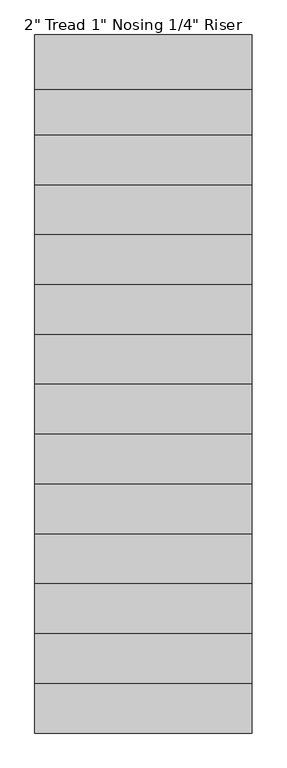
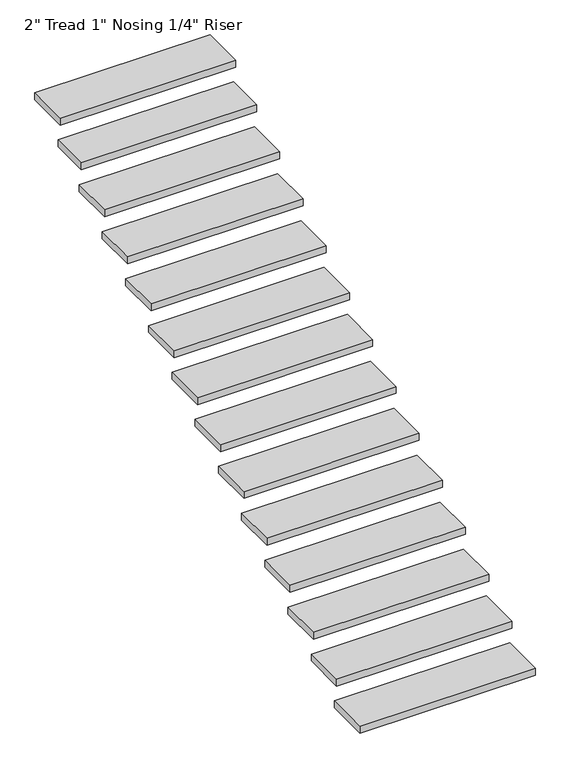
"""IFC4 building model written with IfcOpenShell, lengths in millimetres: stair flight geometry."""

from ifc_helpers import new_model, si_unit, frame, origin, place, context, project, spatial, polyline, outline, extrude, source, transform, mapped, element, save


def stair_flight_e3f82342(model_context):
    return source(origin(), model_context, "Body", "SweptSolid", [
        extrude(outline(polyline([(-6923.7311058, 26243.244327), (-5706.0969605, 26243.244327), (-5706.0969605, 25938.444327), (-6923.7311058, 25938.444327), (-6923.7311058, 26243.244327)])), frame((0.0, 0.0, -9055.1), z_axis=(0.0, 0.0, 1.0), x_axis=(1.0, 0.0, 0.0)), (0.0, 0.0, 1.0), 50.8),
        extrude(outline(polyline([(-6923.7311058, 26522.644327), (-5706.0969605, 26522.644327), (-5706.0969605, 26217.844327), (-6923.7311058, 26217.844327), (-6923.7311058, 26522.644327)])), frame((0.0, 0.0, -8880.0214286), z_axis=(0.0, 0.0, 1.0), x_axis=(1.0, 0.0, 0.0)), (0.0, 0.0, 1.0), 50.8),
        extrude(outline(polyline([(-6923.7311058, 26802.044327), (-5706.0969605, 26802.044327), (-5706.0969605, 26497.244327), (-6923.7311058, 26497.244327), (-6923.7311058, 26802.044327)])), frame((0.0, 0.0, -8704.9428571), z_axis=(0.0, 0.0, 1.0), x_axis=(1.0, 0.0, 0.0)), (0.0, 0.0, 1.0), 50.8),
        extrude(outline(polyline([(-6923.7311058, 27081.444327), (-5706.0969605, 27081.444327), (-5706.0969605, 26776.644327), (-6923.7311058, 26776.644327), (-6923.7311058, 27081.444327)])), frame((0.0, 0.0, -8529.8642857), z_axis=(0.0, 0.0, 1.0), x_axis=(1.0, 0.0, 0.0)), (0.0, 0.0, 1.0), 50.8),
        extrude(outline(polyline([(-6923.7311058, 27360.844327), (-5706.0969605, 27360.844327), (-5706.0969605, 27056.044327), (-6923.7311058, 27056.044327), (-6923.7311058, 27360.844327)])), frame((0.0, 0.0, -8354.7857143), z_axis=(0.0, 0.0, 1.0), x_axis=(1.0, 0.0, 0.0)), (0.0, 0.0, 1.0), 50.8),
        extrude(outline(polyline([(-6923.7311058, 27640.244327), (-5706.0969605, 27640.244327), (-5706.0969605, 27335.444327), (-6923.7311058, 27335.444327), (-6923.7311058, 27640.244327)])), frame((0.0, 0.0, -8179.7071429), z_axis=(0.0, 0.0, 1.0), x_axis=(1.0, 0.0, 0.0)), (0.0, 0.0, 1.0), 50.8),
        extrude(outline(polyline([(-6923.7311058, 27919.644327), (-5706.0969605, 27919.644327), (-5706.0969605, 27614.844327), (-6923.7311058, 27614.844327), (-6923.7311058, 27919.644327)])), frame((0.0, 0.0, -8004.6285714), z_axis=(0.0, 0.0, 1.0), x_axis=(1.0, 0.0, 0.0)), (0.0, 0.0, 1.0), 50.8),
        extrude(outline(polyline([(-6923.7311058, 28199.044327), (-5706.0969605, 28199.044327), (-5706.0969605, 27894.244327), (-6923.7311058, 27894.244327), (-6923.7311058, 28199.044327)])), frame((0.0, 0.0, -7829.55), z_axis=(0.0, 0.0, 1.0), x_axis=(1.0, 0.0, 0.0)), (0.0, 0.0, 1.0), 50.8),
        extrude(outline(polyline([(-6923.7311058, 28478.444327), (-5706.0969605, 28478.444327), (-5706.0969605, 28173.644327), (-6923.7311058, 28173.644327), (-6923.7311058, 28478.444327)])), frame((0.0, 0.0, -7654.4714286), z_axis=(0.0, 0.0, 1.0), x_axis=(1.0, 0.0, 0.0)), (0.0, 0.0, 1.0), 50.8),
        extrude(outline(polyline([(-6923.7311058, 28757.844327), (-5706.0969605, 28757.844327), (-5706.0969605, 28453.044327), (-6923.7311058, 28453.044327), (-6923.7311058, 28757.844327)])), frame((0.0, 0.0, -7479.3928571), z_axis=(0.0, 0.0, 1.0), x_axis=(1.0, 0.0, 0.0)), (0.0, 0.0, 1.0), 50.8),
        extrude(outline(polyline([(-6923.7311058, 29037.244327), (-5706.0969605, 29037.244327), (-5706.0969605, 28732.444327), (-6923.7311058, 28732.444327), (-6923.7311058, 29037.244327)])), frame((0.0, 0.0, -7304.3142857), z_axis=(0.0, 0.0, 1.0), x_axis=(1.0, 0.0, 0.0)), (0.0, 0.0, 1.0), 50.8),
        extrude(outline(polyline([(-6923.7311058, 29316.644327), (-5706.0969605, 29316.644327), (-5706.0969605, 29011.844327), (-6923.7311058, 29011.844327), (-6923.7311058, 29316.644327)])), frame((0.0, 0.0, -7129.2357143), z_axis=(0.0, 0.0, 1.0), x_axis=(1.0, 0.0, 0.0)), (0.0, 0.0, 1.0), 50.8),
        extrude(outline(polyline([(-6923.7311058, 29570.644327), (-5706.0969605, 29570.644327), (-5706.0969605, 29291.244327), (-6923.7311058, 29291.244327), (-6923.7311058, 29570.644327)])), frame((0.0, 0.0, -6954.1571429), z_axis=(0.0, 0.0, 1.0), x_axis=(1.0, 0.0, 0.0)), (0.0, 0.0, 1.0), 50.8),
        extrude(outline(polyline([(-6923.7311058, 29850.044327), (-5706.0969605, 29850.044327), (-5706.0969605, 29545.244327), (-6923.7311058, 29545.244327), (-6923.7311058, 29850.044327)])), frame((0.0, 0.0, -6779.0785714), z_axis=(0.0, 0.0, 1.0), x_axis=(1.0, 0.0, 0.0)), (0.0, 0.0, 1.0), 50.8),
    ])


if __name__ == "__main__":
    model = new_model("IFC4")
    model_context = context("Model", 3, world=origin())
    ifc_project = project(units=[si_unit("LENGTHUNIT", "METRE", prefix="MILLI")], contexts=[model_context])
    site = spatial("IfcSite", under=ifc_project)
    building = spatial("IfcBuilding", under=site)
    placement = place(None, origin())
    stair_flight_shape = stair_flight_e3f82342(model_context)
    element("IfcStairFlight", 1, ObjectType="2\" Tread 1\" Nosing 1/4\" Riser", at=placement, inside=building, context=model_context, shape_type="MappedRepresentation", body=[
        mapped(stair_flight_shape, transform((0.0, 0.0, 0.0), x_axis=(1.0, 0.0, 0.0), y_axis=(0.0, 1.0, 0.0), z_axis=(0.0, 0.0, 1.0))),
    ])
    save(model, "model.ifc")
